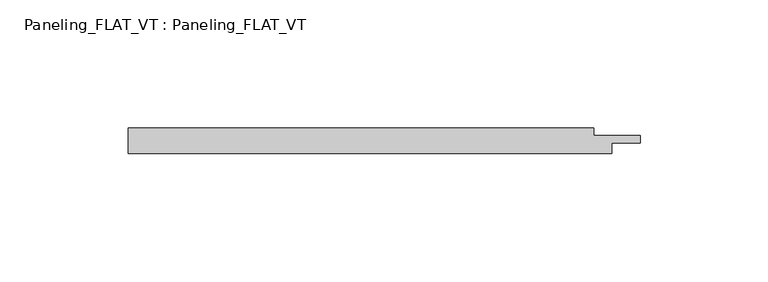
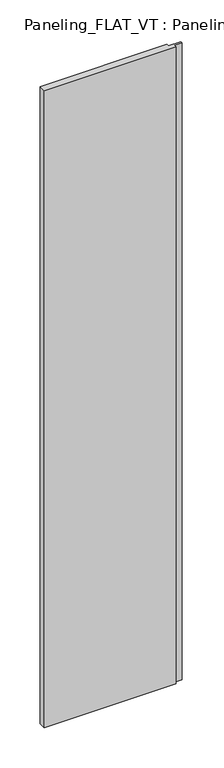
"""IFC4 building model written with IfcOpenShell, lengths in millimetres: plate geometry, Paneling_FLAT_VT : Paneling_FLAT_VT."""

from ifc_helpers import new_model, si_unit, origin, origin_with_axes, place, context, project, spatial, polyline, outline, extrude, source, transform, mapped, element, save


def paneling_flat_vt_paneling_flat_vt_9f73dce2(model_context):
    return source(origin(), model_context, "Body", "SweptSolid", [
        extrude(outline(polyline([(-94.5, -5.0), (-94.5, 5.0), (87.5, 5.0), (87.5, 2.0), (105.5, 2.0), (105.5, -1.0), (94.5, -1.0), (94.5, -5.0), (-94.5, -5.0)])), origin_with_axes(), (0.0, 0.0, 1.0), 964.5),
    ])


if __name__ == "__main__":
    model = new_model("IFC4")
    model_context = context("Model", 3, world=origin())
    ifc_project = project(units=[si_unit("LENGTHUNIT", "METRE", prefix="MILLI")], contexts=[model_context])
    site = spatial("IfcSite", under=ifc_project)
    building = spatial("IfcBuilding", under=site)
    placement = place(None, origin())
    paneling_flat_vt_paneling_flat_vt_shape = paneling_flat_vt_paneling_flat_vt_9f73dce2(model_context)
    element("IfcPlate", 1, ObjectType="Paneling_FLAT_VT : Paneling_FLAT_VT", at=placement, inside=building, context=model_context, shape_type="MappedRepresentation", body=[
        mapped(paneling_flat_vt_paneling_flat_vt_shape, transform((0.0, 0.0, 0.0), x_axis=(1.0, 0.0, 0.0), y_axis=(0.0, 1.0, 0.0), z_axis=(0.0, 0.0, 1.0))),
    ])
    save(model, "model.ifc")
